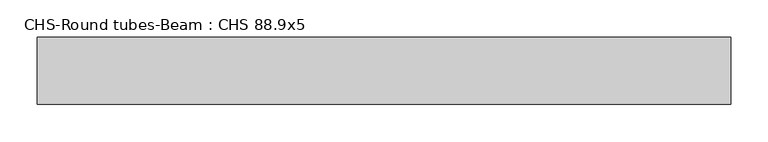
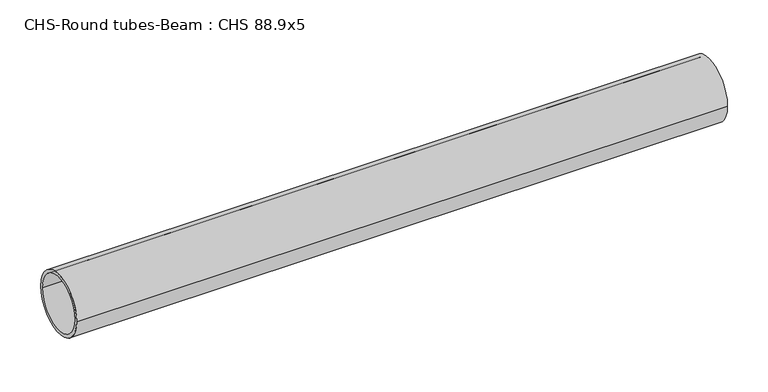
"""IFC4 building model written with IfcOpenShell, lengths in millimetres: beam geometry, CHS-Round tubes-Beam : CHS 88.9x5."""

from ifc_helpers import new_model, si_unit, point, frame, origin, origin_2d, place, context, project, spatial, circle_curve, trimmed, segment, composite_curve, outline, extrude, source, transform, mapped, element, save


def chs_round_tubes_beam_chs_88_9x5_75d225e9(model_context):
    return source(origin(), model_context, "Body", "SweptSolid", [
        extrude(outline(composite_curve([segment(trimmed(circle_curve(origin_2d(), 44.45), [point((44.45, 0.0))], [point((-44.45, 0.0))], False, "CARTESIAN"), True, "CONTINUOUS"), segment(trimmed(circle_curve(origin_2d(), 44.45), [point((-44.45, 0.0))], [point((44.45, 0.0))], False, "CARTESIAN"), True, "CONTINUOUS")], self_intersect=False), holes=[composite_curve([segment(trimmed(circle_curve(origin_2d(), 39.45), [point((39.45, 0.0))], [point((-39.45, 0.0))], True, "CARTESIAN"), True, "CONTINUOUS"), segment(trimmed(circle_curve(origin_2d(), 39.45), [point((-39.45, 0.0))], [point((39.45, 0.0))], True, "CARTESIAN"), True, "CONTINUOUS")], self_intersect=False)]), frame((-462.3, 0.0, 0.0), z_axis=(1.0, 0.0, 0.0), x_axis=(0.0, 1.0, 0.0)), (0.0, 0.0, 1.0), 924.6),
    ])


if __name__ == "__main__":
    model = new_model("IFC4")
    model_context = context("Model", 3, world=origin())
    ifc_project = project(units=[si_unit("LENGTHUNIT", "METRE", prefix="MILLI")], contexts=[model_context])
    site = spatial("IfcSite", under=ifc_project)
    building = spatial("IfcBuilding", under=site)
    placement = place(None, origin())
    chs_round_tubes_beam_chs_88_9x5_shape = chs_round_tubes_beam_chs_88_9x5_75d225e9(model_context)
    element("IfcBeam", 1, ObjectType="CHS-Round tubes-Beam : CHS 88.9x5", at=placement, inside=building, context=model_context, shape_type="MappedRepresentation", body=[
        mapped(chs_round_tubes_beam_chs_88_9x5_shape, transform((0.0, 0.0, 0.0), x_axis=(1.0, 0.0, 0.0), y_axis=(0.0, 1.0, 0.0), z_axis=(0.0, 0.0, 1.0))),
    ])
    save(model, "model.ifc")
